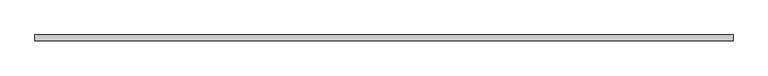
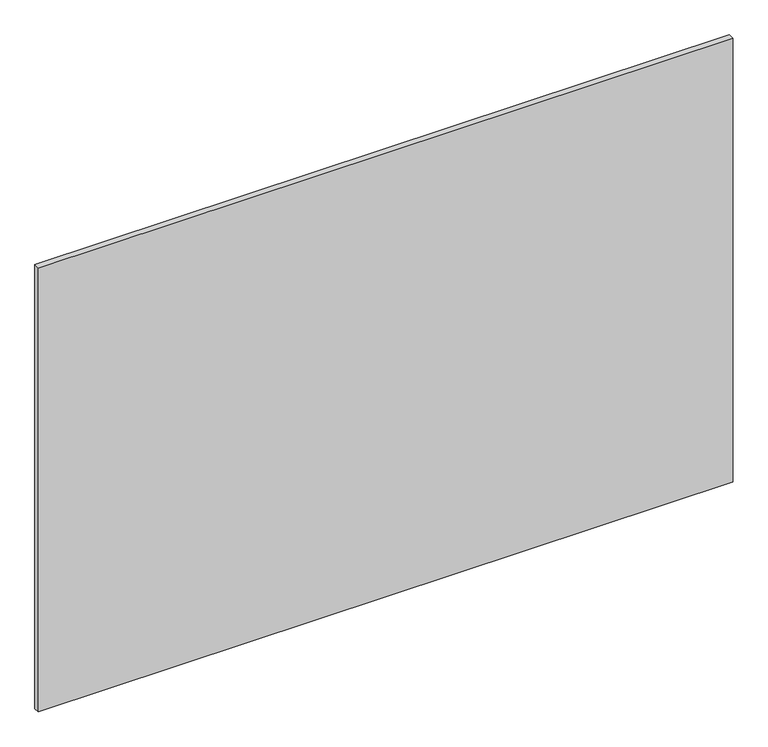
"""IFC4 building model written with IfcOpenShell, lengths in millimetres: plate geometry."""

from ifc_helpers import new_model, si_unit, origin, origin_with_axes, place, context, project, spatial, polyline, outline, extrude, source, transform, mapped, element, save


def plate_ecaf0077(model_context):
    return source(origin(), model_context, "Body", "SweptSolid", [
        extrude(outline(polyline([(616.6, 5.2), (616.6, -5.2), (-616.6, -5.2), (-616.6, 5.2), (616.6, 5.2)])), origin_with_axes(), (0.0, 0.0, 1.0), 833.3),
    ])


if __name__ == "__main__":
    model = new_model("IFC4")
    model_context = context("Model", 3, world=origin())
    ifc_project = project(units=[si_unit("LENGTHUNIT", "METRE", prefix="MILLI")], contexts=[model_context])
    site = spatial("IfcSite", under=ifc_project)
    building = spatial("IfcBuilding", under=site)
    placement = place(None, origin())
    plate_shape = plate_ecaf0077(model_context)
    element("IfcPlate", 1, at=placement, inside=building, context=model_context, shape_type="MappedRepresentation", body=[
        mapped(plate_shape, transform((0.0, 0.0, 0.0), x_axis=(1.0, 0.0, 0.0), y_axis=(0.0, 1.0, 0.0), z_axis=(0.0, 0.0, 1.0))),
    ])
    save(model, "model.ifc")
